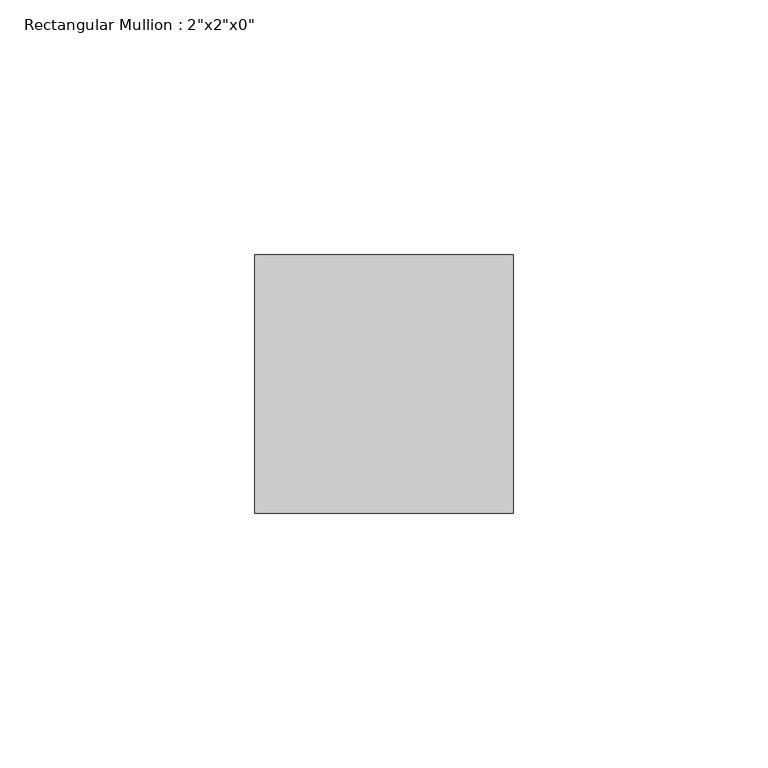
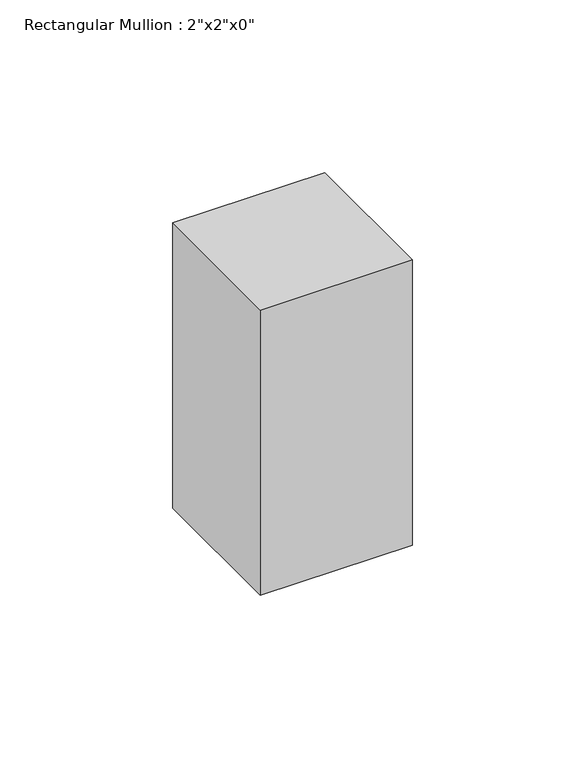
"""IFC4 building model written with IfcOpenShell, lengths in millimetres: member geometry."""

from ifc_helpers import new_model, si_unit, frame, origin, place, context, project, spatial, polyline, outline, extrude, source, transform, mapped, element, save


def member_2edcab22(model_context):
    return source(origin(), model_context, "Body", "SweptSolid", [
        extrude(outline(polyline([(0.0, 25.4), (0.0, -25.4), (-50.8, -25.4), (-50.8, 25.4), (0.0, 25.4)])), frame((0.0, 0.0, -100.8495598), z_axis=(0.0, 0.0, 1.0), x_axis=(1.0, 0.0, 0.0)), (0.0, 0.0, 1.0), 100.8495598),
    ])


if __name__ == "__main__":
    model = new_model("IFC4")
    model_context = context("Model", 3, world=origin())
    ifc_project = project(units=[si_unit("LENGTHUNIT", "METRE", prefix="MILLI")], contexts=[model_context])
    site = spatial("IfcSite", under=ifc_project)
    building = spatial("IfcBuilding", under=site)
    placement = place(None, origin())
    member_shape = member_2edcab22(model_context)
    element("IfcMember", 1, ObjectType="Rectangular Mullion : 2\"x2\"x0\"", at=placement, inside=building, context=model_context, shape_type="MappedRepresentation", body=[
        mapped(member_shape, transform((0.0, 0.0, 0.0), x_axis=(1.0, 0.0, 0.0), y_axis=(0.0, 1.0, 0.0), z_axis=(0.0, 0.0, 1.0))),
    ])
    save(model, "model.ifc")
